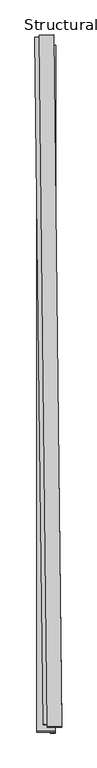
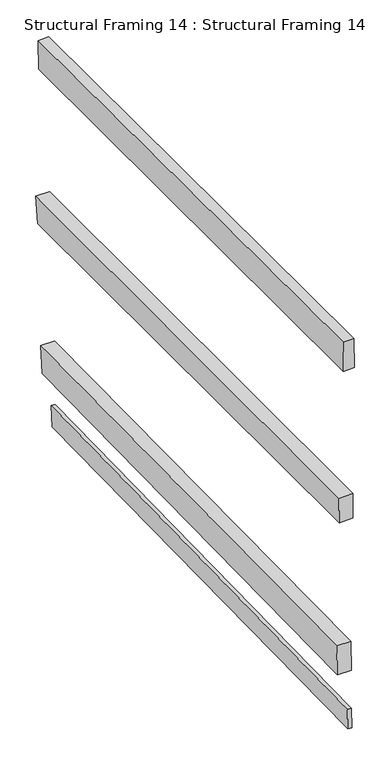
"""IFC4 building model written with IfcOpenShell, lengths in millimetres: beam geometry, Structural Framing 14 : Structural Framing 14."""

from ifc_helpers import new_model, si_unit, frame, origin, place, context, project, spatial, polyline, outline, extrude, source, transform, mapped, element, save


def structural_framing_14_structural_framing_14_b92930f7(model_context):
    return source(origin(), model_context, "Body", "SweptSolid", [
        extrude(outline(polyline([(1843.2582863, 0.0), (1847.9763085, -71.3561748), (22.0758915, -76.2862109), (14.7076798, 0.0), (1843.2582863, 0.0)])), frame((-40792.5037537, 38383.5471762, 108927.5353561), z_axis=(-0.9999999208479114, 0.0003978745670949225, 0.0), x_axis=(-0.0003978038324699207, -0.9998221396443541, -0.018855525160992925)), (0.0, 0.0, 1.0), 13.9346455),
        extrude(outline(polyline([(1843.2582862, 0.0), (1848.8212851, -106.3127125), (25.6640169, -100.5099858), (14.6790856, 0.0), (1843.2582862, 0.0)])), frame((-40792.5023068, 38387.1837526, 109164.9481243), z_axis=(-0.9999999208479113, 0.00039787456709492245, 0.0), x_axis=(-0.00039784274177752507, -0.9999199325362413, -0.012647934134533115)), (0.0, 0.0, 1.0), 49.8851758),
        extrude(outline(polyline([(-1846.1252473, 0.0), (-13.2629349, 0.0), (-26.2065934, -96.4366699), (-1849.367459, -91.9029977), (-1846.1252473, 0.0)])), frame((-40847.796709, 38406.3188436, 109715.9945588), z_axis=(0.9999287611098043, 0.01193619308707647, 0.0), x_axis=(-0.011934190606981705, 0.9997610076706887, 0.018316731036011315)), (0.0, 0.0, 1.0), 49.8851758),
        extrude(outline(polyline([(-1846.1252472, 0.0), (0.0, 0.0), (-3.3584256, -106.1169883), (-1848.2373043, -109.7380972), (-1846.1252472, 0.0)])), frame((-40836.1642758, 38399.183196, 110294.4178139), z_axis=(0.9999287611098043, 0.011936193087076469, 0.0), x_axis=(-0.011935208923740354, 0.9998463149548006, 0.012841232777751361)), (0.0, 0.0, 1.0), 38.3387438),
    ])


if __name__ == "__main__":
    model = new_model("IFC4")
    model_context = context("Model", 3, world=origin())
    ifc_project = project(units=[si_unit("LENGTHUNIT", "METRE", prefix="MILLI")], contexts=[model_context])
    site = spatial("IfcSite", under=ifc_project)
    building = spatial("IfcBuilding", under=site)
    placement = place(None, origin())
    structural_framing_14_structural_framing_14_shape = structural_framing_14_structural_framing_14_b92930f7(model_context)
    element("IfcBeam", 1, ObjectType="Structural Framing 14 : Structural Framing 14", at=placement, inside=building, context=model_context, shape_type="MappedRepresentation", body=[
        mapped(structural_framing_14_structural_framing_14_shape, transform((0.0, 0.0, 0.0), x_axis=(1.0, 0.0, 0.0), y_axis=(0.0, 1.0, 0.0), z_axis=(0.0, 0.0, 1.0))),
    ])
    save(model, "model.ifc")
